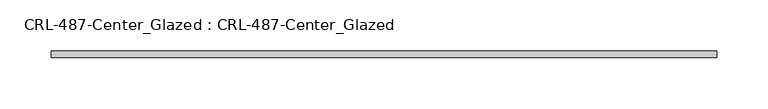
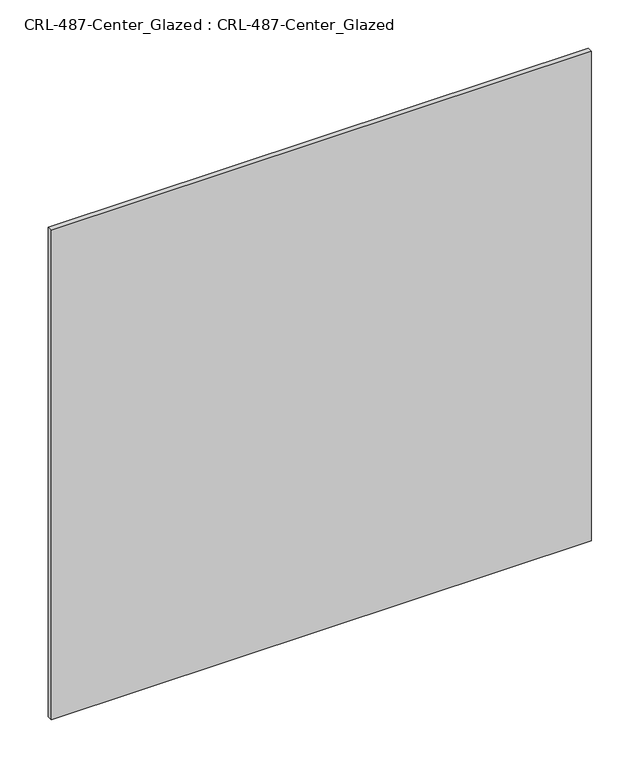
"""IFC4 building model written with IfcOpenShell, lengths in millimetres: plate geometry, CRL-487-Center_Glazed : CRL-487-Center_Glazed."""

from ifc_helpers import new_model, si_unit, origin, origin_with_axes, place, context, project, spatial, polyline, outline, extrude, source, transform, mapped, element, save


def crl_487_center_glazed_crl_487_center_glazed_373aab47(model_context):
    return source(origin(), model_context, "Body", "SweptSolid", [
        extrude(outline(polyline([(323.85635, -3.1749999), (-323.85635, -3.1749999), (-323.85635, 3.1749999), (323.85635, 3.1749999), (323.85635, -3.1749999)])), origin_with_axes(), (0.0, 0.0, 1.0), 620.7252),
    ])


if __name__ == "__main__":
    model = new_model("IFC4")
    model_context = context("Model", 3, world=origin())
    ifc_project = project(units=[si_unit("LENGTHUNIT", "METRE", prefix="MILLI")], contexts=[model_context])
    site = spatial("IfcSite", under=ifc_project)
    building = spatial("IfcBuilding", under=site)
    placement = place(None, origin())
    crl_487_center_glazed_crl_487_center_glazed_shape = crl_487_center_glazed_crl_487_center_glazed_373aab47(model_context)
    element("IfcPlate", 1, ObjectType="CRL-487-Center_Glazed : CRL-487-Center_Glazed", at=placement, inside=building, context=model_context, shape_type="MappedRepresentation", body=[
        mapped(crl_487_center_glazed_crl_487_center_glazed_shape, transform((0.0, 0.0, 0.0), x_axis=(1.0, 0.0, 0.0), y_axis=(0.0, 1.0, 0.0), z_axis=(0.0, 0.0, 1.0))),
    ])
    save(model, "model.ifc")
